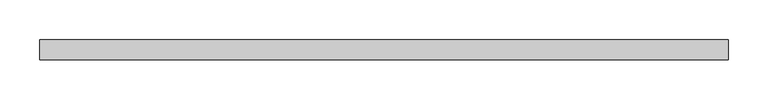
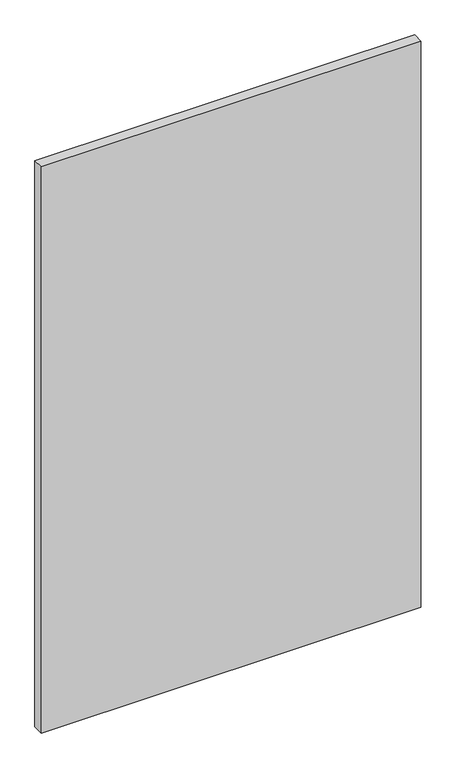
"""IFC4 building model written with IfcOpenShell, lengths in millimetres: plate geometry."""

from ifc_helpers import new_model, si_unit, origin, origin_with_axes, place, context, project, spatial, polyline, outline, extrude, source, transform, mapped, element, save


def plate_8a3a8272(model_context):
    return source(origin(), model_context, "Body", "SweptSolid", [
        extrude(outline(polyline([(432.9674082, 24.5), (-432.9674082, 24.5), (-432.9674082, 49.5), (432.9674082, 49.5), (432.9674082, 24.5)])), origin_with_axes(), (0.0, 0.0, 1.0), 1365.0),
    ])


if __name__ == "__main__":
    model = new_model("IFC4")
    model_context = context("Model", 3, world=origin())
    ifc_project = project(units=[si_unit("LENGTHUNIT", "METRE", prefix="MILLI")], contexts=[model_context])
    site = spatial("IfcSite", under=ifc_project)
    building = spatial("IfcBuilding", under=site)
    placement = place(None, origin())
    plate_shape = plate_8a3a8272(model_context)
    element("IfcPlate", 1, at=placement, inside=building, context=model_context, shape_type="MappedRepresentation", body=[
        mapped(plate_shape, transform((0.0, 0.0, 0.0), x_axis=(1.0, 0.0, 0.0), y_axis=(0.0, 1.0, 0.0), z_axis=(0.0, 0.0, 1.0))),
    ])
    save(model, "model.ifc")
